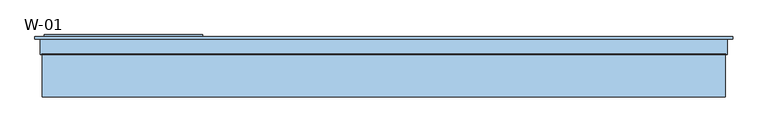
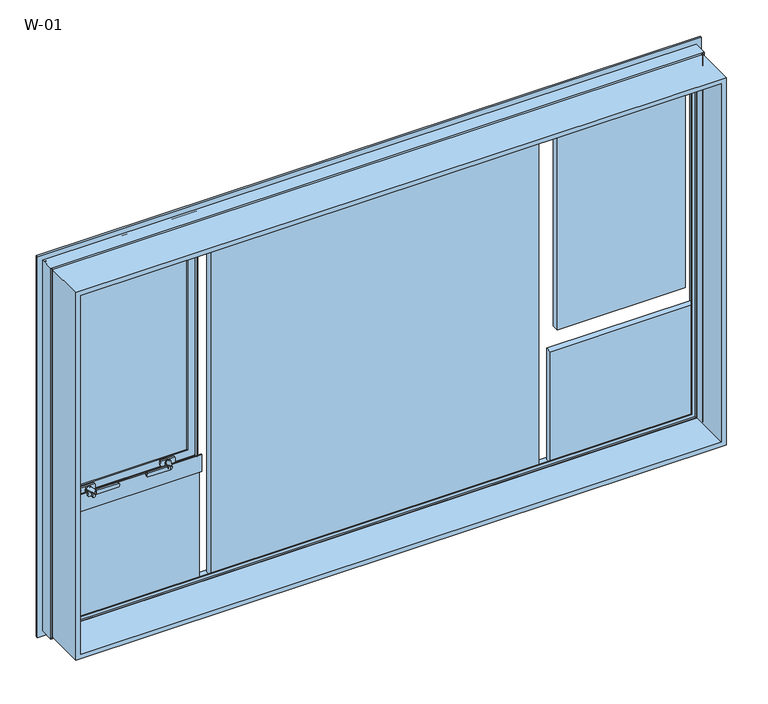
"""IFC4 building model written with IfcOpenShell, lengths in millimetres: window geometry, W-01."""

from ifc_helpers import new_model, si_unit, point, frame, frame_2d, origin, place, context, project, spatial, polyline, circle_curve, ellipse_curve, trimmed, segment, composite_curve, outline, extrude, source, transform, mapped, element, save
from ifc_brep_helpers import plane_surface, cylinder_surface, revolved_surface, spline_surface, advanced_brep


def w_01_90a4f5bf(model_context):
    return source(origin(), model_context, "Body", "SolidModel", [
        extrude(outline(composite_curve([segment(trimmed(circle_curve(frame_2d((1055.2, -891.7659341)), 2.0), [point((1057.2, -891.7659341))], [point((1055.9427814, -893.6228875))], False, "CARTESIAN"), True, "CONTINUOUS"), segment(polyline([(1055.9427814, -893.6228875), (1051.4855627, -895.4057749)]), True, "CONTINUOUS"), segment(trimmed(circle_curve(frame_2d((1050.0, -891.6918682)), 4.0), [point((1051.4855627, -895.4057749))], [point((1048.5144373, -895.4057749))], False, "CARTESIAN"), True, "CONTINUOUS"), segment(polyline([(1048.5144373, -895.4057749), (1044.0572186, -893.6228875)]), True, "CONTINUOUS"), segment(trimmed(circle_curve(frame_2d((1044.8, -891.7659341)), 2.0), [point((1044.0572186, -893.6228875))], [point((1042.8, -891.7659341))], False, "CARTESIAN"), True, "CONTINUOUS"), segment(polyline([(1042.8, -891.7659341), (1042.8, -806.0), (1057.2, -806.0), (1057.2, -891.7659341)]), True, "CONTINUOUS")], self_intersect=False)), frame((0.0, 34.5998877, 0.0), z_axis=(0.0, 1.0, 0.0), x_axis=(0.0, 0.0, 1.0)), (0.0, 0.0, 1.0), 7.0),
        extrude(outline(composite_curve([segment(trimmed(circle_curve(frame_2d((1050.0, -795.0)), 7.0), [point((1050.0, -788.0))], [point((1050.0, -802.0))], False, "CARTESIAN"), True, "CONTINUOUS"), segment(trimmed(circle_curve(frame_2d((1050.0, -795.0)), 7.0), [point((1050.0, -802.0))], [point((1050.0, -788.0))], False, "CARTESIAN"), True, "CONTINUOUS")], self_intersect=False)), frame((0.0, 64.5998877, 0.0), z_axis=(0.0, 1.0, 0.0), x_axis=(0.0, 0.0, 1.0)), (0.0, 0.0, 1.0), 1.5),
        advanced_brep(
        [(-786.0, 64.5998877, 1050.0), (-798.5, 34.5998877, 1050.0), (-813.5, 34.5998877, 1050.0), (-804.0, 64.5998877, 1050.0)],
        [
            (0, 1),
            (1, 2, circle_curve(frame((-806.0, 34.5998877, 1050.0), z_axis=(0.0, 1.0, 0.0), x_axis=(-1.0, 0.0, 0.0)), 7.5)),
            (2, 3),
            (3, 0, circle_curve(frame((-795.0, 64.5998877, 1050.0), z_axis=(0.0, -1.0, 0.0), x_axis=(-1.0, 0.0, 0.0)), 9.0)),
            (1, 2, circle_curve(frame((-806.0, 34.5998877, 1050.0), z_axis=(0.0, -1.0, 0.0), x_axis=(-1.0, 0.0, 0.0)), 7.5)),
            (3, 0, circle_curve(frame((-795.0, 64.5998877, 1050.0), z_axis=(0.0, 1.0, 0.0), x_axis=(-1.0, 0.0, 0.0)), 9.0)),
        ],
        [
            spline_surface(1, 2, [[(-786.0, 64.5998877, 1050.0), (-786.0, 64.5998877, 1041.0), (-795.0, 64.5998877, 1041.0), (-804.0, 64.5998877, 1041.0), (-804.0, 64.5998877, 1050.0)], [(-798.5, 34.5998877, 1050.0), (-798.5, 34.5998877, 1042.5), (-806.0, 34.5998877, 1042.5), (-813.5, 34.5998877, 1042.5), (-813.5, 34.5998877, 1050.0)]], [2, 2], [3, 2, 3], [0.0, 1.0], [0.0, 1.0, 2.0], weights=[[1.0, 0.7071067811865476, 1.0, 0.7071067811865476, 1.0], [1.0, 0.7071067811865476, 1.0, 0.7071067811865476, 1.0]]),
            plane_surface(frame((-806.0, 34.5998877, 1050.0), z_axis=(0.0, -1.0, 0.0), x_axis=(0.0, 0.0, -1.0))),
            plane_surface(frame((-795.0, 64.5998877, 1050.0), z_axis=(0.0, 1.0, 0.0), x_axis=(0.0, 0.0, -1.0))),
            spline_surface(1, 2, [[(-804.0, 64.5998877, 1050.0), (-804.0, 64.5998877, 1059.0), (-795.0, 64.5998877, 1059.0), (-786.0, 64.5998877, 1059.0), (-786.0, 64.5998877, 1050.0)], [(-813.5, 34.5998877, 1050.0), (-813.5, 34.5998877, 1057.5), (-806.0, 34.5998877, 1057.5), (-798.5, 34.5998877, 1057.5), (-798.5, 34.5998877, 1050.0)]], [2, 2], [3, 2, 3], [0.0, 1.0], [0.0, 1.0, 2.0], weights=[[1.0, 0.7071067811865476, 1.0, 0.7071067811865476, 1.0], [1.0, 0.7071067811865476, 1.0, 0.7071067811865476, 1.0]]),
        ],
        [
            (0, [[1, 2, 3, 4]]),
            (1, [[5, -2]]),
            (2, [[-4, 6]]),
            (3, [[-3, -5, -1, -6]]),
        ],
    ),
        extrude(outline(composite_curve([segment(trimmed(circle_curve(frame_2d((1050.0, -795.0)), 10.6), [point((1050.0, -784.4))], [point((1050.0, -805.6))], False, "CARTESIAN"), True, "CONTINUOUS"), segment(polyline([(1050.0, -805.6), (1038.95, -805.6), (1038.95, -784.4), (1050.0, -784.4)]), True, "CONTINUOUS")], self_intersect=False)), frame((0.0, 66.0998877, 0.0), z_axis=(0.0, 1.0, 0.0), x_axis=(0.0, 0.0, 1.0)), (0.0, 0.0, 1.0), 2.8),
        extrude(outline(composite_curve([segment(polyline([(1038.95, -821.0), (1038.95, -769.0)]), True, "CONTINUOUS"), segment(trimmed(circle_curve(frame_2d((1050.0, -791.7032528)), 25.2495582), [point((1038.95, -769.0))], [point((1061.05, -769.0))], False, "CARTESIAN"), True, "CONTINUOUS"), segment(polyline([(1061.05, -769.0), (1061.05, -821.0)]), True, "CONTINUOUS"), segment(trimmed(circle_curve(frame_2d((1050.0, -798.2967472)), 25.2495582), [point((1061.05, -821.0))], [point((1038.95, -821.0))], False, "CARTESIAN"), True, "CONTINUOUS")], self_intersect=False)), frame((0.0, 68.8998877, 0.0), z_axis=(0.0, 1.0, 0.0), x_axis=(0.0, 0.0, 1.0)), (0.0, 0.0, 1.0), 6.7),
        extrude(outline(composite_curve([segment(trimmed(circle_curve(frame_2d((1029.7, -1091.567995)), 3.0), [point((1026.7, -1091.567995))], [point((1029.5429921, -1088.5721064))], False, "CARTESIAN"), True, "CONTINUOUS"), segment(polyline([(1029.5429921, -1088.5721064), (1050.0, -1087.5), (1050.0, -1098.5), (1029.5429921, -1097.4278936)]), True, "CONTINUOUS"), segment(trimmed(circle_curve(frame_2d((1029.7, -1094.432005)), 3.0), [point((1029.5429921, -1097.4278936))], [point((1026.7, -1094.432005))], False, "CARTESIAN"), True, "CONTINUOUS"), segment(polyline([(1026.7, -1094.432005), (1026.7, -1091.567995)]), True, "CONTINUOUS")], self_intersect=False)), frame((0.0, 42.4998877, 0.0), z_axis=(0.0, 1.0, 0.0), x_axis=(0.0, 0.0, 1.0)), (0.0, 0.0, 1.0), 4.9),
        extrude(outline(composite_curve([segment(trimmed(circle_curve(frame_2d((1025.7, -1096.2776261)), 3.0), [point((1022.7, -1096.2776261))], [point((1025.5429921, -1093.2817375))], False, "CARTESIAN"), True, "CONTINUOUS"), segment(polyline([(1025.5429921, -1093.2817375), (1050.0, -1092.0), (1050.0, -1106.0), (1025.5429921, -1104.7182625)]), True, "CONTINUOUS"), segment(trimmed(circle_curve(frame_2d((1025.7, -1101.7223739)), 3.0), [point((1025.5429921, -1104.7182625))], [point((1022.7, -1101.7223739))], False, "CARTESIAN"), True, "CONTINUOUS"), segment(polyline([(1022.7, -1101.7223739), (1022.7, -1096.2776261)]), True, "CONTINUOUS")], self_intersect=False)), frame((0.0, 59.2998877, 0.0), z_axis=(0.0, 1.0, 0.0), x_axis=(0.0, 0.0, 1.0)), (0.0, 0.0, 1.0), 5.3),
        extrude(outline(composite_curve([segment(polyline([(1057.2, -1003.2340659), (1057.2, -1089.0), (1042.8, -1089.0), (1042.8, -1003.2340659)]), True, "CONTINUOUS"), segment(trimmed(circle_curve(frame_2d((1044.8, -1003.2340659)), 2.0), [point((1042.8, -1003.2340659))], [point((1044.0572186, -1001.3771125))], False, "CARTESIAN"), True, "CONTINUOUS"), segment(polyline([(1044.0572186, -1001.3771125), (1048.5144373, -999.5942251)]), True, "CONTINUOUS"), segment(trimmed(circle_curve(frame_2d((1050.0, -1003.3081318)), 4.0), [point((1048.5144373, -999.5942251))], [point((1051.4855627, -999.5942251))], False, "CARTESIAN"), True, "CONTINUOUS"), segment(polyline([(1051.4855627, -999.5942251), (1055.9427814, -1001.3771125)]), True, "CONTINUOUS"), segment(trimmed(circle_curve(frame_2d((1055.2, -1003.2340659)), 2.0), [point((1055.9427814, -1001.3771125))], [point((1057.2, -1003.2340659))], False, "CARTESIAN"), True, "CONTINUOUS")], self_intersect=False)), frame((0.0, 34.5998877, 0.0), z_axis=(0.0, 1.0, 0.0), x_axis=(0.0, 0.0, 1.0)), (0.0, 0.0, 1.0), 7.0),
        extrude(outline(composite_curve([segment(trimmed(circle_curve(frame_2d((1050.0, -1100.0)), 7.0), [point((1050.0, -1107.0))], [point((1050.0, -1093.0))], False, "CARTESIAN"), True, "CONTINUOUS"), segment(trimmed(circle_curve(frame_2d((1050.0, -1100.0)), 7.0), [point((1050.0, -1093.0))], [point((1050.0, -1107.0))], False, "CARTESIAN"), True, "CONTINUOUS")], self_intersect=False)), frame((0.0, 64.5998877, 0.0), z_axis=(0.0, 1.0, 0.0), x_axis=(0.0, 0.0, 1.0)), (0.0, 0.0, 1.0), 1.5),
        advanced_brep(
        [(-1091.0, 64.5998877, 1050.0), (-1109.0, 64.5998877, 1050.0), (-1096.5, 34.5998877, 1050.0), (-1081.5, 34.5998877, 1050.0)],
        [
            (0, 1, circle_curve(frame((-1100.0, 64.5998877, 1050.0), z_axis=(0.0, -1.0, 0.0), x_axis=(1.0, 0.0, 0.0)), 9.0)),
            (1, 2),
            (2, 3, circle_curve(frame((-1089.0, 34.5998877, 1050.0), z_axis=(0.0, 1.0, 0.0), x_axis=(1.0, 0.0, 0.0)), 7.5)),
            (3, 0),
            (2, 3, circle_curve(frame((-1089.0, 34.5998877, 1050.0), z_axis=(0.0, -1.0, 0.0), x_axis=(1.0, 0.0, 0.0)), 7.5)),
            (0, 1, circle_curve(frame((-1100.0, 64.5998877, 1050.0), z_axis=(0.0, 1.0, 0.0), x_axis=(1.0, 0.0, 0.0)), 9.0)),
        ],
        [
            spline_surface(2, 1, [[(-1091.0, 64.5998877, 1050.0), (-1081.5, 34.5998877, 1050.0)], [(-1091.0, 64.5998877, 1059.0), (-1081.5, 34.5998877, 1057.5)], [(-1100.0, 64.5998877, 1059.0), (-1089.0, 34.5998877, 1057.5)], [(-1109.0, 64.5998877, 1059.0), (-1096.5, 34.5998877, 1057.5)], [(-1109.0, 64.5998877, 1050.0), (-1096.5, 34.5998877, 1050.0)]], [3, 2, 3], [2, 2], [0.0, 1.0, 2.0], [0.0, 1.0], weights=[[1.0, 1.0], [0.7071067811865476, 0.7071067811865476], [1.0, 1.0], [0.7071067811865476, 0.7071067811865476], [1.0, 1.0]]),
            plane_surface(frame((-1089.0, 34.5998877, 1050.0), z_axis=(0.0, -1.0, 0.0), x_axis=(0.0, 0.0, -1.0))),
            plane_surface(frame((-1100.0, 64.5998877, 1050.0), z_axis=(0.0, 1.0, 0.0), x_axis=(0.0, 0.0, -1.0))),
            spline_surface(2, 1, [[(-1109.0, 64.5998877, 1050.0), (-1096.5, 34.5998877, 1050.0)], [(-1109.0, 64.5998877, 1041.0), (-1096.5, 34.5998877, 1042.5)], [(-1100.0, 64.5998877, 1041.0), (-1089.0, 34.5998877, 1042.5)], [(-1091.0, 64.5998877, 1041.0), (-1081.5, 34.5998877, 1042.5)], [(-1091.0, 64.5998877, 1050.0), (-1081.5, 34.5998877, 1050.0)]], [3, 2, 3], [2, 2], [0.0, 1.0, 2.0], [0.0, 1.0], weights=[[1.0, 1.0], [0.7071067811865476, 0.7071067811865476], [1.0, 1.0], [0.7071067811865476, 0.7071067811865476], [1.0, 1.0]]),
        ],
        [
            (0, [[1, 2, 3, 4]]),
            (1, [[5, -3]]),
            (2, [[-1, 6]]),
            (3, [[-6, -4, -5, -2]]),
        ],
    ),
        extrude(outline(composite_curve([segment(polyline([(1050.0, -1110.6), (1038.95, -1110.6), (1038.95, -1089.4), (1050.0, -1089.4)]), True, "CONTINUOUS"), segment(trimmed(circle_curve(frame_2d((1050.0, -1100.0)), 10.6), [point((1050.0, -1089.4))], [point((1050.0, -1110.6))], False, "CARTESIAN"), True, "CONTINUOUS")], self_intersect=False)), frame((0.0, 66.0998877, 0.0), z_axis=(0.0, 1.0, 0.0), x_axis=(0.0, 0.0, 1.0)), (0.0, 0.0, 1.0), 2.8),
        extrude(outline(composite_curve([segment(trimmed(circle_curve(frame_2d((1050.0, -1096.7032528)), 25.2495582), [point((1038.95, -1074.0))], [point((1061.05, -1074.0))], False, "CARTESIAN"), True, "CONTINUOUS"), segment(polyline([(1061.05, -1074.0), (1061.05, -1126.0)]), True, "CONTINUOUS"), segment(trimmed(circle_curve(frame_2d((1050.0, -1103.2967472)), 25.2495582), [point((1061.05, -1126.0))], [point((1038.95, -1126.0))], False, "CARTESIAN"), True, "CONTINUOUS"), segment(polyline([(1038.95, -1126.0), (1038.95, -1074.0)]), True, "CONTINUOUS")], self_intersect=False)), frame((0.0, 68.8998877, 0.0), z_axis=(0.0, 1.0, 0.0), x_axis=(0.0, 0.0, 1.0)), (0.0, 0.0, 1.0), 6.7),
        advanced_brep(
        [(-1179.3588709, 80.1998877, 1065.6411291), (-1179.3588709, 80.1998877, 1929.3588709), (-1179.3588709, 75.5998877, 1929.3588709), (-1179.3588709, 75.5998877, 1065.6411291), (-1199.3588651, 126.5998959, 1045.6411349), (-1199.3588651, 126.5998959, 1949.3588651), (-1199.3588651, 80.1998877, 1949.3588651), (-1199.3588651, 80.1998877, 1045.6411349), (-1235.8588651, 121.9998959, 1985.8588651), (-659.1411349, 121.9998959, 1985.8588651), (-659.1411349, 126.5998959, 1985.8588651), (-1235.8588651, 126.5998959, 1985.8588651), (-1236.4637148, 119.9946704, 1986.4637148), (-658.5362852, 119.9946704, 1986.4637148), (-661.2462336, 121.9998959, 1983.7537664), (-1233.7537664, 121.9998959, 1983.7537664), (-1218.3588678, 76.0998843, 1968.3588678), (-676.6411322, 76.0998843, 1968.3588678), (-676.6411322, 118.9999375, 1968.3588678), (-1218.3588678, 118.9999375, 1968.3588678), (-1217.8588679, 75.5998845, 1967.8588679), (-677.1411321, 75.5998845, 1967.8588679), (-1218.144223, 74.6078109, 1968.144223), (-676.855777, 74.6078109, 1968.144223), (-1215.4347904, 72.6034283, 1965.4347904), (-679.5652096, 72.6034283, 1965.4347904), (-1208.8054323, 74.6078109, 1958.8054323), (-686.1945677, 74.6078109, 1958.8054323), (-682.9650333, 72.6034283, 1962.0349667), (-1212.0349667, 72.6034283, 1962.0349667), (-1208.340576, 75.5998877, 1958.340576), (-686.659424, 75.5998877, 1958.340576), (-715.6411291, 80.1998877, 1929.3588709), (-715.6411291, 75.5998877, 1929.3588709), (-695.6411349, 126.5998959, 1949.3588651), (-695.6411349, 80.1998877, 1949.3588651), (-659.1411349, 121.9998959, 1009.1411349), (-659.1411349, 126.5998959, 1009.1411349), (-1235.8588651, 126.5998959, 1009.1411349), (-695.6411349, 126.5998959, 1045.6411349), (-676.855777, 74.6078109, 1026.855777), (-1218.144223, 74.6078109, 1026.855777), (-1217.8588679, 75.5998845, 1027.1411321), (-677.1411321, 75.5998845, 1027.1411321), (-679.5652096, 72.6034283, 1029.5652096), (-1215.4347904, 72.6034283, 1029.5652096), (-682.9650333, 72.6034283, 1032.9650333), (-1212.0349667, 72.6034283, 1032.9650333), (-695.6411349, 80.1998877, 1045.6411349), (-1235.8588651, 121.9998959, 1009.1411349), (-1236.4637148, 119.9946704, 1008.5362852), (-1233.7537664, 121.9998959, 1011.2462336), (-1237.2086873, 118.9999375, 1007.7913127), (-1237.2086873, 118.9999375, 1987.2086873), (-1218.3588678, 76.0998843, 1026.6411322), (-1218.3588678, 118.9999375, 1026.6411322), (-1208.8054323, 74.6078109, 1036.1945677), (-1208.340576, 75.5998877, 1036.659424), (-661.2462336, 121.9998959, 1011.2462336), (-658.5362852, 119.9946704, 1008.5362852), (-657.7913127, 118.9999375, 1987.2086873), (-657.7913127, 118.9999375, 1007.7913127), (-676.6411322, 118.9999375, 1026.6411322), (-676.6411322, 76.0998843, 1026.6411322), (-686.1945677, 74.6078109, 1036.1945677), (-686.659424, 75.5998877, 1036.659424), (-715.6411291, 75.5998877, 1065.6411291), (-715.6411291, 80.1998877, 1065.6411291)],
        [
            (0, 1),
            (1, 2),
            (2, 3),
            (3, 0),
            (4, 5),
            (5, 6),
            (6, 7),
            (7, 4),
            (8, 9),
            (9, 10),
            (10, 11),
            (11, 8),
            (12, 13),
            (13, 14, ellipse_curve(frame((-657.4151568, 124.3435951, 1987.5848432), z_axis=(0.7071067811865475, 0.0, -0.7071067811865475), x_axis=(0.7071067811865476, 0.0, 0.7071067811865474)), 6.3513896, 4.4911107)),
            (14, 15),
            (15, 12, ellipse_curve(frame((-1237.5848432, 124.3435951, 1987.5848432), z_axis=(-0.7071067811865475, 0.0, -0.7071067811865475), x_axis=(0.7071067811865476, 0.0, -0.7071067811865474)), 6.3513896, 4.4911107)),
            (16, 17),
            (17, 18),
            (18, 19),
            (19, 16),
            (20, 21),
            (21, 17, ellipse_curve(frame((-677.1411321, 76.0998843, 1967.8588679), z_axis=(-0.7071067811865475, 0.0, 0.7071067811865475), x_axis=(-0.7071067811865476, 0.0, -0.7071067811865474)), 0.7071066, 0.4999999)),
            (16, 20, ellipse_curve(frame((-1217.8588679, 76.0998843, 1967.8588679), z_axis=(0.7071067811865475, 0.0, 0.7071067811865475), x_axis=(-0.7071067811865476, 0.0, 0.7071067811865474)), 0.7071066, 0.4999999)),
            (22, 23),
            (23, 21),
            (20, 22),
            (24, 25),
            (25, 23, ellipse_curve(frame((-675.7346486, 70.2588862, 1969.2653514), z_axis=(0.7071067811865475, 0.0, -0.7071067811865475), x_axis=(0.7071067811865476, 0.0, 0.7071067811865474)), 6.3513896, 4.4911107)),
            (22, 24, ellipse_curve(frame((-1219.2653514, 70.2588862, 1969.2653514), z_axis=(-0.7071067811865475, 0.0, -0.7071067811865475), x_axis=(0.7071067811865476, 0.0, -0.7071067811865474)), 6.3513896, 4.4911107)),
            (26, 27),
            (27, 28, ellipse_curve(frame((-686.4459086, 70.5988781, 1958.5540914), z_axis=(0.7071067811865475, 0.0, -0.7071067811865475), x_axis=(0.7071067811865476, 0.0, 0.7071067811865474)), 5.6806187, 4.016804)),
            (28, 29),
            (29, 26, ellipse_curve(frame((-1208.5540914, 70.5988781, 1958.5540914), z_axis=(-0.7071067811865475, 0.0, -0.7071067811865475), x_axis=(0.7071067811865476, 0.0, -0.7071067811865474)), 5.6806187, 4.016804)),
            (30, 31),
            (31, 27),
            (26, 30),
            (1, 32),
            (32, 33),
            (33, 2),
            (5, 34),
            (34, 35),
            (35, 6),
            (9, 36),
            (36, 37),
            (37, 10),
            (37, 38),
            (38, 11),
            (4, 39),
            (39, 34),
            (40, 41),
            (41, 42),
            (42, 43),
            (43, 40),
            (25, 44),
            (44, 40, ellipse_curve(frame((-675.7346486, 70.2588862, 1025.7346486), z_axis=(-0.7071067811865475, 0.0, -0.7071067811865475), x_axis=(0.7071067811865474, 0.0, -0.7071067811865476)), 6.3513896, 4.4911107)),
            (40, 23),
            (44, 45),
            (45, 41, ellipse_curve(frame((-1219.2653514, 70.2588862, 1025.7346486), z_axis=(-0.7071067811865475, 0.0, 0.7071067811865475), x_axis=(-0.7071067811865476, 0.0, -0.7071067811865474)), 6.3513896, 4.4911107)),
            (24, 45),
            (28, 46),
            (46, 47),
            (47, 29),
            (39, 48),
            (48, 35),
            (7, 48),
            (49, 8),
            (38, 49),
            (50, 12),
            (15, 51),
            (51, 50, ellipse_curve(frame((-1237.5848432, 124.3435951, 1007.4151568), z_axis=(0.7071067811865475, 0.0, -0.7071067811865475), x_axis=(0.7071067811865474, 0.0, 0.7071067811865476)), 6.3513896, 4.4911107)),
            (52, 53),
            (53, 12),
            (50, 52),
            (54, 16),
            (19, 55),
            (55, 54),
            (42, 20),
            (54, 42, ellipse_curve(frame((-1217.8588679, 76.0998843, 1027.1411321), z_axis=(-0.7071067811865475, 0.0, 0.7071067811865475), x_axis=(-0.7071067811865474, 0.0, -0.7071067811865476)), 0.7071066, 0.4999999)),
            (41, 22),
            (56, 26),
            (47, 56, ellipse_curve(frame((-1208.5540914, 70.5988781, 1036.4459086), z_axis=(0.7071067811865475, 0.0, -0.7071067811865475), x_axis=(0.7071067811865474, 0.0, 0.7071067811865476)), 5.6806187, 4.016804)),
            (57, 30),
            (56, 57),
            (36, 49),
            (14, 58),
            (58, 51),
            (13, 59),
            (59, 58, ellipse_curve(frame((-657.4151568, 124.3435951, 1007.4151568), z_axis=(-0.7071067811865475, 0.0, -0.7071067811865475), x_axis=(0.7071067811865474, 0.0, -0.7071067811865476)), 6.3513896, 4.4911107)),
            (59, 50),
            (60, 61),
            (61, 59),
            (13, 60),
            (61, 52),
            (60, 53),
            (18, 62),
            (62, 55),
            (17, 63),
            (63, 62),
            (63, 54),
            (21, 43),
            (43, 63, ellipse_curve(frame((-677.1411321, 76.0998843, 1027.1411321), z_axis=(0.7071067811865475, 0.0, 0.7071067811865475), x_axis=(-0.7071067811865474, 0.0, 0.7071067811865476)), 0.7071066, 0.4999999)),
            (27, 64),
            (64, 46, ellipse_curve(frame((-686.4459086, 70.5988781, 1036.4459086), z_axis=(-0.7071067811865475, 0.0, -0.7071067811865475), x_axis=(0.7071067811865474, 0.0, -0.7071067811865476)), 5.6806187, 4.016804)),
            (64, 56),
            (31, 65),
            (65, 64),
            (65, 57),
            (33, 66),
            (66, 3),
            (32, 67),
            (67, 66),
            (67, 0),
        ],
        [
            plane_surface(frame((-1179.3588709, 75.5998877, 1065.6411291), z_axis=(1.0, 0.0, 0.0), x_axis=(0.0, 0.0, 1.0))),
            plane_surface(frame((-1199.3588651, 80.1998877, 1045.6411349), z_axis=(1.0, 0.0, 0.0), x_axis=(0.0, 0.0, 1.0))),
            plane_surface(frame((-1235.8588651, 126.5998959, 1985.8588651), z_axis=(0.0, 0.0, 1.0), x_axis=(1.0, 0.0, 0.0))),
            revolved_surface(polyline([(-652.9240461438823, 124.3435951, 1992.0759539), (-1242.0759538561178, 124.3435951, 1992.0759539)]), (-1250.0, 124.3435951, 1987.5848432), (1.0, 0.0, 0.0)),
            plane_surface(frame((-1218.3588678, 118.9999375, 1968.3588678), z_axis=(0.0, 0.0, 1.0), x_axis=(1.0, 0.0, 0.0))),
            cylinder_surface(frame((-1250.0, 76.0998843, 1967.8588679), z_axis=(-1.0, 0.0, 0.0), x_axis=(0.0, 0.0, 1.0)), 0.4999999),
            plane_surface(frame((-1217.8588679, 75.5998845, 1967.8588679), z_axis=(0.0, 0.27642729642523445, 0.9610348327667607), x_axis=(1.0, 0.0, 0.0))),
            revolved_surface(polyline([(-671.2435379438823, 70.2588862, 1973.7564621000001), (-1223.756462056118, 70.2588862, 1973.7564621000001)]), (-1250.0, 70.2588862, 1969.2653514), (1.0, 0.0, 0.0)),
            revolved_surface(polyline([(-682.429104595895, 70.5988781, 1962.5708954000002), (-1212.5708954041052, 70.5988781, 1962.5708954000002)]), (-1250.0, 70.5988781, 1958.5540914), (1.0, 0.0, 0.0)),
            plane_surface(frame((-1208.8054323, 74.6078109, 1958.8054323), z_axis=(0.0, -0.4242993898246574, -0.9055219642805047), x_axis=(1.0, 0.0, 0.0))),
            plane_surface(frame((-1179.3588709, 75.5998877, 1929.3588709), z_axis=(0.0, 0.0, -1.0), x_axis=(1.0, 0.0, 0.0))),
            plane_surface(frame((-1199.3588651, 80.1998877, 1949.3588651), z_axis=(0.0, 0.0, -1.0), x_axis=(1.0, 0.0, 0.0))),
            plane_surface(frame((-659.1411349, 126.5998959, 1985.8588651), z_axis=(1.0, 0.0, 0.0), x_axis=(0.0, 0.0, -1.0))),
            plane_surface(frame((-1199.3588651, 126.5998959, 1045.6411349), z_axis=(0.0, 1.0, 0.0), x_axis=(0.0, 0.0, 1.0))),
            plane_surface(frame((-677.1411321, 75.5998845, 1027.1411321), z_axis=(0.0, 0.27642729642523445, -0.9610348327667607), x_axis=(-1.0, 0.0, 0.0))),
            revolved_surface(polyline([(-671.2435379, 70.2588862, 1021.2435379438822), (-671.2435379, 70.2588862, 1973.756462056118)]), (-675.7346486, 70.2588862, 2000.0), (0.0, 0.0, -1.0)),
            revolved_surface(polyline([(-1223.756462056118, 70.2588862, 1021.2435378999999), (-671.2435379438823, 70.2588862, 1021.2435378999999)]), (-645.0, 70.2588862, 1025.7346486), (-1.0, 0.0, 0.0)),
            plane_surface(frame((-1215.4347904, 72.6034283, 1029.5652096), z_axis=(0.0, -1.0, 0.0), x_axis=(0.0, 0.0, 1.0))),
            plane_surface(frame((-695.6411349, 80.1998877, 1949.3588651), z_axis=(-1.0, 0.0, 0.0), x_axis=(0.0, 0.0, -1.0))),
            plane_surface(frame((-695.6411349, 80.1998877, 1045.6411349), z_axis=(0.0, 0.0, 1.0), x_axis=(-1.0, 0.0, 0.0))),
            plane_surface(frame((-1235.8588651, 126.5998959, 1009.1411349), z_axis=(-1.0, 0.0, 0.0), x_axis=(0.0, 0.0, 1.0))),
            revolved_surface(polyline([(-1242.0759539, 124.3435951, 1992.0759538561178), (-1242.0759539, 124.3435951, 1002.9240461438823)]), (-1237.5848432, 124.3435951, 995.0), (0.0, 0.0, 1.0)),
            plane_surface(frame((-1236.4637148, 119.9946704, 1008.5362852), z_axis=(-0.8004158635848596, 0.5994451145198395, 0.0), x_axis=(0.0, 0.0, 1.0))),
            plane_surface(frame((-1218.3588678, 118.9999375, 1026.6411322), z_axis=(-1.0, 0.0, 0.0), x_axis=(0.0, 0.0, 1.0))),
            cylinder_surface(frame((-1217.8588679, 76.0998843, 995.0), z_axis=(0.0, 0.0, -1.0), x_axis=(-1.0, 0.0, 0.0)), 0.4999999),
            plane_surface(frame((-1217.8588679, 75.5998845, 1027.1411321), z_axis=(-0.9610348327667573, 0.2764272964252464, 0.0), x_axis=(0.0, 0.0, 1.0))),
            revolved_surface(polyline([(-1223.7564621000001, 70.2588862, 1973.756462056118), (-1223.7564621000001, 70.2588862, 1021.2435379438822)]), (-1219.2653514, 70.2588862, 995.0), (0.0, 0.0, 1.0)),
            revolved_surface(polyline([(-1212.5708954000002, 70.5988781, 1962.5708954041052), (-1212.5708954000002, 70.5988781, 1032.4291045958948)]), (-1208.5540914, 70.5988781, 995.0), (0.0, 0.0, 1.0)),
            plane_surface(frame((-1208.8054323, 74.6078109, 1036.1945677), z_axis=(0.9055219642804995, -0.42429938982466864, 0.0), x_axis=(0.0, 0.0, 1.0))),
            plane_surface(frame((-659.1411349, 126.5998959, 1009.1411349), z_axis=(0.0, 0.0, -1.0), x_axis=(-1.0, 0.0, 0.0))),
            plane_surface(frame((-1235.8588651, 121.9998959, 1009.1411349), z_axis=(0.0, -1.0, 0.0), x_axis=(0.0, 0.0, 1.0))),
            revolved_surface(polyline([(-652.9240460999999, 124.3435951, 1002.9240461438823), (-652.9240460999999, 124.3435951, 1992.0759538561178)]), (-657.4151568, 124.3435951, 2000.0), (0.0, 0.0, -1.0)),
            revolved_surface(polyline([(-1242.0759538561178, 124.3435951, 1002.9240460999999), (-652.9240461438823, 124.3435951, 1002.9240460999999)]), (-645.0, 124.3435951, 1007.4151568), (-1.0, 0.0, 0.0)),
            plane_surface(frame((-658.5362852, 119.9946704, 1986.4637148), z_axis=(0.8004158635848745, 0.5994451145198197, 0.0), x_axis=(0.0, 0.0, -1.0))),
            plane_surface(frame((-658.5362852, 119.9946704, 1008.5362852), z_axis=(0.0, 0.5994451145198296, -0.800415863584867), x_axis=(-1.0, 0.0, 0.0))),
            plane_surface(frame((-1237.2086873, 118.9999375, 1007.7913127), z_axis=(0.0, -1.0, 0.0), x_axis=(0.0, 0.0, 1.0))),
            plane_surface(frame((-676.6411322, 118.9999375, 1968.3588678), z_axis=(1.0, 0.0, 0.0), x_axis=(0.0, 0.0, -1.0))),
            plane_surface(frame((-676.6411322, 118.9999375, 1026.6411322), z_axis=(0.0, 0.0, -1.0), x_axis=(-1.0, 0.0, 0.0))),
            cylinder_surface(frame((-677.1411321, 76.0998843, 2000.0), z_axis=(0.0, 0.0, 1.0), x_axis=(1.0, 0.0, 0.0)), 0.4999999),
            cylinder_surface(frame((-645.0, 76.0998843, 1027.1411321), z_axis=(1.0, 0.0, 0.0), x_axis=(0.0, 0.0, -1.0)), 0.4999999),
            plane_surface(frame((-677.1411321, 75.5998845, 1967.8588679), z_axis=(0.9610348327667642, 0.2764272964252225, 0.0), x_axis=(0.0, 0.0, -1.0))),
            revolved_surface(polyline([(-682.4291046000001, 70.5988781, 1032.4291045958948), (-682.4291046000001, 70.5988781, 1962.5708954041052)]), (-686.4459086, 70.5988781, 2000.0), (0.0, 0.0, -1.0)),
            revolved_surface(polyline([(-1212.5708954041052, 70.5988781, 1032.4291045999998), (-682.429104595895, 70.5988781, 1032.4291045999998)]), (-645.0, 70.5988781, 1036.4459086), (-1.0, 0.0, 0.0)),
            plane_surface(frame((-686.1945677, 74.6078109, 1958.8054323), z_axis=(-0.9055219642805099, -0.4242993898246462, 0.0), x_axis=(0.0, 0.0, -1.0))),
            plane_surface(frame((-686.1945677, 74.6078109, 1036.1945677), z_axis=(0.0, -0.4242993898246574, 0.9055219642805047), x_axis=(-1.0, 0.0, 0.0))),
            plane_surface(frame((-1208.340576, 75.5998877, 1036.659424), z_axis=(0.0, -1.0, 0.0), x_axis=(0.0, 0.0, 1.0))),
            plane_surface(frame((-715.6411291, 75.5998877, 1929.3588709), z_axis=(-1.0, 0.0, 0.0), x_axis=(0.0, 0.0, -1.0))),
            plane_surface(frame((-715.6411291, 75.5998877, 1065.6411291), z_axis=(0.0, 0.0, 1.0), x_axis=(-1.0, 0.0, 0.0))),
            plane_surface(frame((-1179.3588709, 80.1998877, 1065.6411291), z_axis=(0.0, 1.0, 0.0), x_axis=(0.0, 0.0, 1.0))),
            plane_surface(frame((-1236.4637148, 119.9946704, 1986.4637148), z_axis=(0.0, 0.5994451145198296, 0.800415863584867), x_axis=(1.0, 0.0, 0.0))),
        ],
        [
            (0, [[1, 2, 3, 4]]),
            (1, [[5, 6, 7, 8]]),
            (2, [[9, 10, 11, 12]]),
            (3, [[13, 14, 15, 16]]),
            (4, [[17, 18, 19, 20]]),
            (5, [[21, 22, -17, 23]]),
            (6, [[24, 25, -21, 26]]),
            (7, [[27, 28, -24, 29]]),
            (8, [[30, 31, 32, 33]]),
            (9, [[34, 35, -30, 36]]),
            (10, [[37, 38, 39, -2]]),
            (11, [[40, 41, 42, -6]]),
            (12, [[43, 44, 45, -10]]),
            (13, [[-11, -45, 46, 47], [-40, -5, 48, 49]]),
            (14, [[50, 51, 52, 53]]),
            (15, [[54, 55, 56, -28]]),
            (16, [[57, 58, -50, -55]]),
            (17, [[-27, 59, -57, -54], [-32, 60, 61, 62]]),
            (18, [[-49, 63, 64, -41]]),
            (19, [[-48, -8, 65, -63]]),
            (20, [[66, -12, -47, 67]]),
            (21, [[68, -16, 69, 70]]),
            (22, [[71, 72, -68, 73]]),
            (23, [[74, -20, 75, 76]]),
            (24, [[77, -23, -74, 78]]),
            (25, [[79, -26, -77, -51]]),
            (26, [[-59, -29, -79, -58]]),
            (27, [[80, -33, -62, 81]]),
            (28, [[82, -36, -80, 83]]),
            (29, [[84, -67, -46, -44]]),
            (30, [[-9, -66, -84, -43], [-15, 85, 86, -69]]),
            (31, [[87, 88, -85, -14]]),
            (32, [[89, -70, -86, -88]]),
            (33, [[90, 91, -87, 92]]),
            (34, [[93, -73, -89, -91]]),
            (35, [[94, -71, -93, -90], [-19, 95, 96, -75]]),
            (36, [[97, 98, -95, -18]]),
            (37, [[99, -76, -96, -98]]),
            (38, [[100, 101, -97, -22]]),
            (39, [[-52, -78, -99, -101]]),
            (40, [[-56, -53, -100, -25]]),
            (41, [[102, 103, -60, -31]]),
            (42, [[104, -81, -61, -103]]),
            (43, [[105, 106, -102, -35]]),
            (44, [[107, -83, -104, -106]]),
            (45, [[-34, -82, -107, -105], [-39, 108, 109, -3]]),
            (46, [[110, 111, -108, -38]]),
            (47, [[112, -4, -109, -111]]),
            (48, [[-42, -64, -65, -7], [-37, -1, -112, -110]]),
            (49, [[-94, -92, -13, -72]]),
        ],
    ),
        extrude(outline(polyline([(68.9990172, 964.9999652), (68.9990172, 1035.0000026), (72.5990172, 1035.0000026), (72.5990172, 1015.0000187), (118.9999375, 1015.0000187), (118.9999375, 984.9999813), (72.5990172, 984.9999813), (72.5990172, 964.9999652), (68.9990172, 964.9999652)])), frame((-1230.0, 0.0, 0.0), z_axis=(1.0, 0.0, 0.0), x_axis=(0.0, 1.0, 0.0)), (0.0, 0.0, 1.0), 565.0),
        advanced_brep(
        [(-1210.0, 107.7228474, 965.0), (-1207.8575034, 100.3927452, 962.8575034), (-1207.8575034, 100.3927452, 542.1424966), (-1210.0, 107.7228474, 540.0), (-1210.0, 118.9999377, 965.0), (-1210.0, 118.9999377, 540.0), (-1230.0, 100.3927452, 985.0), (-1230.0, 118.9999377, 985.0), (-1230.0, 118.9999377, 520.0), (-1230.0, 100.3927452, 520.0), (-687.1424966, 100.3927452, 542.1424966), (-685.0, 107.7228474, 540.0), (-685.0, 118.9999377, 540.0), (-665.0, 118.9999377, 520.0), (-665.0, 100.3927452, 520.0), (-687.1424966, 100.3927452, 962.8575034), (-685.0, 107.7228474, 965.0), (-685.0, 118.9999377, 965.0), (-665.0, 118.9999377, 985.0), (-665.0, 100.3927452, 985.0)],
        [
            (0, 1, ellipse_curve(frame((-1190.3925883, 109.4756835, 945.3925883), z_axis=(0.7071067811865475, 0.0, 0.7071067811865475), x_axis=(0.7071067811865474, 0.0, -0.7071067811865476)), 27.839649, 19.6856046)),
            (1, 2),
            (2, 3, ellipse_curve(frame((-1190.3925883, 109.4756835, 559.6074117), z_axis=(0.7071067811865475, 0.0, -0.7071067811865475), x_axis=(-0.7071067811865474, 0.0, -0.7071067811865476)), 27.839649, 19.6856046)),
            (3, 0),
            (4, 0),
            (3, 5),
            (5, 4),
            (6, 7),
            (7, 8),
            (8, 9),
            (9, 6),
            (2, 10),
            (10, 11, ellipse_curve(frame((-704.6074117, 109.4756835, 559.6074117), z_axis=(0.7071067811865475, 0.0, 0.7071067811865475), x_axis=(0.7071067811865476, 0.0, -0.7071067811865474)), 27.839649, 19.6856046)),
            (11, 3),
            (11, 12),
            (12, 5),
            (8, 13),
            (13, 14),
            (14, 9),
            (10, 15),
            (15, 16, ellipse_curve(frame((-704.6074117, 109.4756835, 945.3925883), z_axis=(-0.7071067811865475, 0.0, 0.7071067811865475), x_axis=(0.7071067811865474, 0.0, 0.7071067811865476)), 27.839649, 19.6856046)),
            (16, 11),
            (16, 17),
            (17, 12),
            (13, 18),
            (18, 19),
            (19, 14),
            (19, 6),
            (1, 15),
            (0, 16),
            (4, 17),
            (7, 18),
        ],
        [
            revolved_surface(polyline([(-1210.0781929, 109.4756835, 539.9218071062467), (-1210.0781929, 109.4756835, 965.0781928937533)]), (-1190.3925883, 109.4756835, 985.0), (0.0, 0.0, -1.0)),
            plane_surface(frame((-1210.0, 107.7228474, 965.0), z_axis=(1.0, 0.0, 0.0), x_axis=(0.0, 0.0, -1.0))),
            plane_surface(frame((-1230.0, 118.9999377, 985.0), z_axis=(-1.0, 0.0, 0.0), x_axis=(0.0, 0.0, -1.0))),
            revolved_surface(polyline([(-684.9218071062467, 109.4756835, 539.9218070999999), (-1210.078192893753, 109.4756835, 539.9218070999999)]), (-1230.0, 109.4756835, 559.6074117), (1.0, 0.0, 0.0)),
            plane_surface(frame((-1210.0, 107.7228474, 540.0), z_axis=(0.0, 0.0, 1.0), x_axis=(1.0, 0.0, 0.0))),
            plane_surface(frame((-1230.0, 118.9999377, 520.0), z_axis=(0.0, 0.0, -1.0), x_axis=(1.0, 0.0, 0.0))),
            revolved_surface(polyline([(-684.9218070999999, 109.4756835, 965.0781928937533), (-684.9218070999999, 109.4756835, 539.9218071062467)]), (-704.6074117, 109.4756835, 520.0), (0.0, 0.0, 1.0)),
            plane_surface(frame((-685.0, 107.7228474, 540.0), z_axis=(-1.0, 0.0, 0.0), x_axis=(0.0, 0.0, 1.0))),
            plane_surface(frame((-665.0, 118.9999377, 520.0), z_axis=(1.0, 0.0, 0.0), x_axis=(0.0, 0.0, 1.0))),
            plane_surface(frame((-665.0, 100.3927452, 985.0), z_axis=(0.0, -1.0, 0.0), x_axis=(-1.0, 0.0, 0.0))),
            revolved_surface(polyline([(-1210.078192893753, 109.4756835, 965.0781929000001), (-684.9218071062467, 109.4756835, 965.0781929000001)]), (-665.0, 109.4756835, 945.3925883), (-1.0, 0.0, 0.0)),
            plane_surface(frame((-685.0, 107.7228474, 965.0), z_axis=(0.0, 0.0, -1.0), x_axis=(-1.0, 0.0, 0.0))),
            plane_surface(frame((-685.0, 118.9999377, 965.0), z_axis=(0.0, 1.0, 0.0), x_axis=(-1.0, 0.0, 0.0))),
            plane_surface(frame((-665.0, 118.9999377, 985.0), z_axis=(0.0, 0.0, 1.0), x_axis=(-1.0, 0.0, 0.0))),
        ],
        [
            (0, [[1, 2, 3, 4]]),
            (1, [[5, -4, 6, 7]]),
            (2, [[8, 9, 10, 11]]),
            (3, [[-3, 12, 13, 14]]),
            (4, [[-6, -14, 15, 16]]),
            (5, [[-10, 17, 18, 19]]),
            (6, [[-13, 20, 21, 22]]),
            (7, [[-15, -22, 23, 24]]),
            (8, [[-18, 25, 26, 27]]),
            (9, [[-19, -27, 28, -11], [29, -20, -12, -2]]),
            (10, [[-21, -29, -1, 30]]),
            (11, [[-23, -30, -5, 31]]),
            (12, [[32, -25, -17, -9], [-16, -24, -31, -7]]),
            (13, [[-26, -32, -8, -28]]),
        ],
    ),
        advanced_brep(
        [(1270.000038, 110.0, 2020.000038), (1270.000038, 110.0, 479.999962), (1270.000038, 118.9999375, 479.999962), (1270.000038, 118.9999375, 2020.000038), (-1270.000038, 118.9999375, 2020.000038), (-1270.000038, 118.9999375, 479.999962), (1230.0000396, 118.9999375, 1980.0000396), (-1230.0000396, 118.9999375, 1980.0000396), (-1230.0000396, 118.9999375, 519.9999604), (1230.0000396, 118.9999375, 519.9999604), (-1270.000038, 110.0, 479.999962), (-1270.000038, 110.0, 2020.000038), (-1250.0, 110.0, 2000.0), (1250.0, 110.0, 2000.0), (1250.0, 110.0, 500.0), (-1250.0, 110.0, 500.0), (1250.0, 54.8507969, 2000.0), (1250.0, 54.8507969, 500.0), (-1250.0, 54.8507969, 500.0), (1245.0001465, 54.8506112, 1995.0001465), (1245.0001465, 54.8506112, 504.9998535), (-1245.0001465, 54.8506112, 504.9998535), (1245.0001465, 56.5920405, 1995.0001465), (1245.0001465, 56.5920405, 504.9998535), (-1245.0001465, 56.5920405, 504.9998535), (1243.8001794, 56.5908144, 1993.8001794), (1243.8001794, 56.5908144, 506.1998206), (-1243.8001794, 56.5908144, 506.1998206), (1243.8001794, 65.9999813, 1993.8001794), (1243.8001794, 65.9999813, 506.1998206), (-1243.8001794, 65.9999813, 506.1998206), (-1243.8001794, 65.9999813, 1993.8001794), (-1224.2001794, 65.9999813, 1974.2001794), (1224.2001794, 65.9999813, 1974.2001794), (1224.2001794, 65.9999813, 525.7998206), (-1224.2001794, 65.9999813, 525.7998206), (1224.2001794, 61.9999728, 1974.2001794), (1224.2001794, 61.9999728, 525.7998206), (-1224.2001794, 61.9999728, 525.7998206), (-1224.2001794, 61.9999728, 1974.2001794), (-1222.6156704, 61.9999728, 1972.6156704), (1222.6156704, 61.9999728, 1972.6156704), (1222.6156704, 61.9999728, 527.3843296), (-1222.6156704, 61.9999728, 527.3843296), (1222.8755675, 68.9999299, 1972.8755675), (1222.8755675, 68.9999299, 527.1244325), (-1222.8755675, 68.9999299, 527.1244325), (-1222.8755675, 68.9999299, 1972.8755675), (-1210.0002274, 68.9999299, 1960.0002274), (1210.0002274, 68.9999299, 1960.0002274), (1210.0002274, 68.9999299, 539.9997726), (-1210.0002274, 68.9999299, 539.9997726), (1210.0002274, 72.5999758, 1960.0002274), (1210.0002274, 72.5999758, 539.9997726), (-1210.0002274, 72.5999758, 539.9997726), (-1230.0000396, 72.5999758, 1980.0000396), (1230.0000396, 72.5999758, 1980.0000396), (1230.0000396, 72.5999758, 519.9999604), (-1230.0000396, 72.5999758, 519.9999604), (-1210.0002274, 72.5999758, 1960.0002274), (-1250.0, 54.8507969, 2000.0), (-1245.0001465, 54.8506112, 1995.0001465), (-1245.0001465, 56.5920405, 1995.0001465), (-1243.8001794, 56.5908144, 1993.8001794)],
        [
            (0, 1),
            (1, 2),
            (2, 3),
            (3, 0),
            (4, 3),
            (2, 5),
            (5, 4),
            (6, 7),
            (7, 8),
            (8, 9),
            (9, 6),
            (1, 10),
            (10, 5),
            (0, 11),
            (11, 10),
            (12, 13),
            (13, 14),
            (14, 15),
            (15, 12),
            (16, 17),
            (17, 14),
            (13, 16),
            (17, 18),
            (18, 15),
            (19, 20),
            (20, 17, ellipse_curve(frame((1247.5001465, 52.8785929, 502.4998535), z_axis=(-0.7071067811865475, 0.0, -0.7071067811865475), x_axis=(0.7071067811865474, 0.0, -0.7071067811865476)), 4.5030781, 3.184157)),
            (16, 19, ellipse_curve(frame((1247.5001465, 52.8785929, 1997.5001465), z_axis=(-0.7071067811865475, 0.0, 0.7071067811865475), x_axis=(-0.7071067811865474, 0.0, -0.7071067811865476)), 4.5030781, 3.184157)),
            (20, 21),
            (21, 18, ellipse_curve(frame((-1247.5001465, 52.8785929, 502.4998535), z_axis=(-0.7071067811865475, 0.0, 0.7071067811865475), x_axis=(-0.7071067811865476, 0.0, -0.7071067811865474)), 4.5030781, 3.184157)),
            (22, 23),
            (23, 20),
            (19, 22),
            (23, 24),
            (24, 21),
            (25, 26),
            (26, 23, ellipse_curve(frame((1244.4001534, 56.6007652, 505.5998466), z_axis=(0.7071067811865475, 0.0, 0.7071067811865475), x_axis=(-0.7071067811865474, 0.0, 0.7071067811865476)), 0.8486081, 0.6000566)),
            (22, 25, ellipse_curve(frame((1244.4001534, 56.6007652, 1994.4001534), z_axis=(0.7071067811865475, 0.0, -0.7071067811865475), x_axis=(0.7071067811865474, 0.0, 0.7071067811865476)), 0.8486081, 0.6000566)),
            (26, 27),
            (27, 24, ellipse_curve(frame((-1244.4001534, 56.6007652, 505.5998466), z_axis=(0.7071067811865475, 0.0, -0.7071067811865475), x_axis=(0.7071067811865476, 0.0, 0.7071067811865474)), 0.8486081, 0.6000566)),
            (28, 29),
            (29, 26),
            (25, 28),
            (29, 30),
            (30, 27),
            (28, 31),
            (31, 30),
            (32, 33),
            (33, 34),
            (34, 35),
            (35, 32),
            (36, 37),
            (37, 34),
            (33, 36),
            (37, 38),
            (38, 35),
            (36, 39),
            (39, 38),
            (40, 41),
            (41, 42),
            (42, 43),
            (43, 40),
            (44, 45),
            (45, 42),
            (41, 44),
            (45, 46),
            (46, 43),
            (44, 47),
            (47, 46),
            (48, 49),
            (49, 50),
            (50, 51),
            (51, 48),
            (52, 53),
            (53, 50),
            (49, 52),
            (53, 54),
            (54, 51),
            (55, 56),
            (56, 57),
            (57, 58),
            (58, 55),
            (52, 59),
            (59, 54),
            (9, 57),
            (56, 6),
            (8, 58),
            (11, 4),
            (18, 60),
            (60, 12),
            (21, 61),
            (61, 60, ellipse_curve(frame((-1247.5001465, 52.8785929, 1997.5001465), z_axis=(0.7071067811865475, 0.0, 0.7071067811865475), x_axis=(-0.7071067811865474, 0.0, 0.7071067811865476)), 4.5030781, 3.184157)),
            (24, 62),
            (62, 61),
            (27, 63),
            (63, 62, ellipse_curve(frame((-1244.4001534, 56.6007652, 1994.4001534), z_axis=(-0.7071067811865475, 0.0, -0.7071067811865475), x_axis=(0.7071067811865474, 0.0, -0.7071067811865476)), 0.8486081, 0.6000566)),
            (31, 63),
            (39, 32),
            (47, 40),
            (59, 48),
            (7, 55),
            (60, 16),
            (61, 19),
            (62, 22),
            (63, 25),
        ],
        [
            plane_surface(frame((1270.000038, 118.9999375, 2020.000038), z_axis=(1.0, 0.0, 0.0), x_axis=(0.0, 0.0, -1.0))),
            plane_surface(frame((-1230.0000396, 118.9999375, 519.9999604), z_axis=(0.0, 1.0, 0.0), x_axis=(0.0, 0.0, 1.0))),
            plane_surface(frame((1270.000038, 118.9999375, 479.999962), z_axis=(0.0, 0.0, -1.0), x_axis=(-1.0, 0.0, 0.0))),
            plane_surface(frame((-1270.000038, 110.0, 479.999962), z_axis=(0.0, -1.0, 0.0), x_axis=(0.0, 0.0, 1.0))),
            plane_surface(frame((1250.0, 110.0, 2000.0), z_axis=(1.0, 0.0, 0.0), x_axis=(0.0, 0.0, -1.0))),
            plane_surface(frame((1250.0, 110.0, 500.0), z_axis=(0.0, 0.0, -1.0), x_axis=(-1.0, 0.0, 0.0))),
            revolved_surface(polyline([(1250.6843035, 52.8785929, 499.3156964392774), (1250.6843035, 52.8785929, 2000.6843035607226)]), (1247.5001465, 52.8785929, 2000.0), (0.0, 0.0, -1.0)),
            revolved_surface(polyline([(-1250.6843035607226, 52.8785929, 499.31569649999994), (1250.6843035607226, 52.8785929, 499.31569649999994)]), (1250.0, 52.8785929, 502.4998535), (-1.0, 0.0, 0.0)),
            plane_surface(frame((1245.0001465, 54.8506112, 1995.0001465), z_axis=(-1.0, 0.0, 0.0), x_axis=(0.0, 0.0, -1.0))),
            plane_surface(frame((1245.0001465, 54.8506112, 504.9998535), z_axis=(0.0, 0.0, 1.0), x_axis=(-1.0, 0.0, 0.0))),
            cylinder_surface(frame((1244.4001534, 56.6007652, 2000.0), z_axis=(0.0, 0.0, 1.0), x_axis=(1.0, 0.0, 0.0)), 0.6000566),
            cylinder_surface(frame((1250.0, 56.6007652, 505.5998466), z_axis=(1.0, 0.0, 0.0), x_axis=(0.0, 0.0, -1.0)), 0.6000566),
            plane_surface(frame((1243.8001794, 56.5908144, 1993.8001794), z_axis=(-1.0, 0.0, 0.0), x_axis=(0.0, 0.0, -1.0))),
            plane_surface(frame((1243.8001794, 56.5908144, 506.1998206), z_axis=(0.0, 0.0, 1.0), x_axis=(-1.0, 0.0, 0.0))),
            plane_surface(frame((-1243.8001794, 65.9999813, 506.1998206), z_axis=(0.0, -1.0, 0.0), x_axis=(0.0, 0.0, 1.0))),
            plane_surface(frame((1224.2001794, 65.9999813, 1974.2001794), z_axis=(1.0, 0.0, 0.0), x_axis=(0.0, 0.0, -1.0))),
            plane_surface(frame((1224.2001794, 65.9999813, 525.7998206), z_axis=(0.0, 0.0, -1.0), x_axis=(-1.0, 0.0, 0.0))),
            plane_surface(frame((-1224.2001794, 61.9999728, 525.7998206), z_axis=(0.0, -1.0, 0.0), x_axis=(0.0, 0.0, 1.0))),
            plane_surface(frame((1222.6156704, 61.9999728, 1972.6156704), z_axis=(-0.9993114533203387, 0.037102820146085576, 0.0), x_axis=(0.0, 0.0, -1.0))),
            plane_surface(frame((1222.6156704, 61.9999728, 527.3843296), z_axis=(0.0, 0.03710282014607318, 0.9993114533203391), x_axis=(-1.0, 0.0, 0.0))),
            plane_surface(frame((-1222.8755675, 68.9999299, 527.1244325), z_axis=(0.0, -1.0, 0.0), x_axis=(0.0, 0.0, 1.0))),
            plane_surface(frame((1210.0002274, 68.9999299, 1960.0002274), z_axis=(-1.0, 0.0, 0.0), x_axis=(0.0, 0.0, -1.0))),
            plane_surface(frame((1210.0002274, 68.9999299, 539.9997726), z_axis=(0.0, 0.0, 1.0), x_axis=(-1.0, 0.0, 0.0))),
            plane_surface(frame((-1210.0002274, 72.5999758, 539.9997726), z_axis=(0.0, 1.0, 0.0), x_axis=(0.0, 0.0, 1.0))),
            plane_surface(frame((1230.0000396, 72.5999758, 1980.0000396), z_axis=(-1.0, 0.0, 0.0), x_axis=(0.0, 0.0, -1.0))),
            plane_surface(frame((1230.0000396, 72.5999758, 519.9999604), z_axis=(0.0, 0.0, 1.0), x_axis=(-1.0, 0.0, 0.0))),
            plane_surface(frame((-1270.000038, 118.9999375, 479.999962), z_axis=(-1.0, 0.0, 0.0), x_axis=(0.0, 0.0, 1.0))),
            plane_surface(frame((-1250.0, 110.0, 500.0), z_axis=(-1.0, 0.0, 0.0), x_axis=(0.0, 0.0, 1.0))),
            revolved_surface(polyline([(-1250.6843035, 52.8785929, 2000.6843035607226), (-1250.6843035, 52.8785929, 499.31569643927736)]), (-1247.5001465, 52.8785929, 500.0), (0.0, 0.0, 1.0)),
            plane_surface(frame((-1245.0001465, 54.8506112, 504.9998535), z_axis=(1.0, 0.0, 0.0), x_axis=(0.0, 0.0, 1.0))),
            cylinder_surface(frame((-1244.4001534, 56.6007652, 500.0), z_axis=(0.0, 0.0, -1.0), x_axis=(-1.0, 0.0, 0.0)), 0.6000566),
            plane_surface(frame((-1243.8001794, 56.5908144, 506.1998206), z_axis=(1.0, 0.0, 0.0), x_axis=(0.0, 0.0, 1.0))),
            plane_surface(frame((-1224.2001794, 65.9999813, 525.7998206), z_axis=(-1.0, 0.0, 0.0), x_axis=(0.0, 0.0, 1.0))),
            plane_surface(frame((-1222.6156704, 61.9999728, 527.3843296), z_axis=(0.9993114533203395, 0.03710282014606079, 0.0), x_axis=(0.0, 0.0, 1.0))),
            plane_surface(frame((-1210.0002274, 68.9999299, 539.9997726), z_axis=(1.0, 0.0, 0.0), x_axis=(0.0, 0.0, 1.0))),
            plane_surface(frame((-1230.0000396, 72.5999758, 519.9999604), z_axis=(1.0, 0.0, 0.0), x_axis=(0.0, 0.0, 1.0))),
            plane_surface(frame((-1270.000038, 118.9999375, 2020.000038), z_axis=(0.0, 0.0, 1.0), x_axis=(1.0, 0.0, 0.0))),
            plane_surface(frame((-1250.0, 110.0, 2000.0), z_axis=(0.0, 0.0, 1.0), x_axis=(1.0, 0.0, 0.0))),
            revolved_surface(polyline([(1250.6843035607226, 52.8785929, 2000.6843035), (-1250.6843035607226, 52.8785929, 2000.6843035)]), (-1250.0, 52.8785929, 1997.5001465), (1.0, 0.0, 0.0)),
            plane_surface(frame((-1245.0001465, 54.8506112, 1995.0001465), z_axis=(0.0, 0.0, -1.0), x_axis=(1.0, 0.0, 0.0))),
            cylinder_surface(frame((-1250.0, 56.6007652, 1994.4001534), z_axis=(-1.0, 0.0, 0.0), x_axis=(0.0, 0.0, 1.0)), 0.6000566),
            plane_surface(frame((-1243.8001794, 56.5908144, 1993.8001794), z_axis=(0.0, 0.0, -1.0), x_axis=(1.0, 0.0, 0.0))),
            plane_surface(frame((-1224.2001794, 65.9999813, 1974.2001794), z_axis=(0.0, 0.0, 1.0), x_axis=(1.0, 0.0, 0.0))),
            plane_surface(frame((-1222.6156704, 61.9999728, 1972.6156704), z_axis=(0.0, 0.03710282014607318, -0.9993114533203391), x_axis=(1.0, 0.0, 0.0))),
            plane_surface(frame((-1210.0002274, 68.9999299, 1960.0002274), z_axis=(0.0, 0.0, -1.0), x_axis=(1.0, 0.0, 0.0))),
            plane_surface(frame((-1230.0000396, 72.5999758, 1980.0000396), z_axis=(0.0, 0.0, -1.0), x_axis=(1.0, 0.0, 0.0))),
        ],
        [
            (0, [[1, 2, 3, 4]]),
            (1, [[5, -3, 6, 7], [8, 9, 10, 11]]),
            (2, [[12, 13, -6, -2]]),
            (3, [[14, 15, -12, -1], [16, 17, 18, 19]]),
            (4, [[20, 21, -17, 22]]),
            (5, [[23, 24, -18, -21]]),
            (6, [[25, 26, -20, 27]]),
            (7, [[28, 29, -23, -26]]),
            (8, [[30, 31, -25, 32]]),
            (9, [[33, 34, -28, -31]]),
            (10, [[35, 36, -30, 37]]),
            (11, [[38, 39, -33, -36]]),
            (12, [[40, 41, -35, 42]]),
            (13, [[43, 44, -38, -41]]),
            (14, [[45, 46, -43, -40], [47, 48, 49, 50]]),
            (15, [[51, 52, -48, 53]]),
            (16, [[54, 55, -49, -52]]),
            (17, [[56, 57, -54, -51], [58, 59, 60, 61]]),
            (18, [[62, 63, -59, 64]]),
            (19, [[65, 66, -60, -63]]),
            (20, [[67, 68, -65, -62], [69, 70, 71, 72]]),
            (21, [[73, 74, -70, 75]]),
            (22, [[76, 77, -71, -74]]),
            (23, [[78, 79, 80, 81], [82, 83, -76, -73]]),
            (24, [[-11, 84, -79, 85]]),
            (25, [[-10, 86, -80, -84]]),
            (26, [[-15, 87, -7, -13]]),
            (27, [[88, 89, -19, -24]]),
            (28, [[90, 91, -88, -29]]),
            (29, [[92, 93, -90, -34]]),
            (30, [[94, 95, -92, -39]]),
            (31, [[-46, 96, -94, -44]]),
            (32, [[-57, 97, -50, -55]]),
            (33, [[-68, 98, -61, -66]]),
            (34, [[-83, 99, -72, -77]]),
            (35, [[-9, 100, -81, -86]]),
            (36, [[-14, -4, -5, -87]]),
            (37, [[101, -22, -16, -89]]),
            (38, [[102, -27, -101, -91]]),
            (39, [[103, -32, -102, -93]]),
            (40, [[104, -37, -103, -95]]),
            (41, [[-45, -42, -104, -96]]),
            (42, [[-56, -53, -47, -97]]),
            (43, [[-67, -64, -58, -98]]),
            (44, [[-82, -75, -69, -99]]),
            (45, [[-8, -85, -78, -100]]),
        ],
    ),
        extrude(outline(polyline([(-1192.4, 81.9927036), (-1192.4, 107.9927036), (-702.6, 107.9927036), (-702.6, 81.9927036), (-1192.4, 81.9927036)])), frame((0.0, 0.0, 1052.2), z_axis=(0.0, 0.0, 1.0), x_axis=(1.0, 0.0, 0.0)), (0.0, 0.0, 1.0), 890.2),
        extrude(outline(polyline([(-1223.0, 74.4), (-1223.0, 100.4), (-672.0, 100.4), (-672.0, 74.4), (-1223.0, 74.4)])), frame((0.0, 0.0, 527.0), z_axis=(0.0, 0.0, 1.0), x_axis=(1.0, 0.0, 0.0)), (0.0, 0.0, 1.0), 451.0),
        extrude(outline(polyline([(-628.0, 74.4), (-628.0, 100.4), (628.0, 100.4), (628.0, 74.4), (-628.0, 74.4)])), frame((0.0, 0.0, 527.0), z_axis=(0.0, 0.0, 1.0), x_axis=(1.0, 0.0, 0.0)), (0.0, 0.0, 1.0), 1446.0),
        extrude(outline(polyline([(1192.4, 81.9927036), (702.6, 81.9927036), (702.6, 107.9927036), (1192.4, 107.9927036), (1192.4, 81.9927036)])), frame((0.0, 0.0, 1052.2), z_axis=(0.0, 0.0, 1.0), x_axis=(1.0, 0.0, 0.0)), (0.0, 0.0, 1.0), 890.2),
        extrude(outline(polyline([(1993.8, 1243.8), (1993.8, -1243.8), (506.2, -1243.8), (506.2, 1243.8), (1993.8, 1243.8)]), holes=[polyline([(524.7, 1225.3), (524.7, -1225.3), (1975.3, -1225.3), (1975.3, 1225.3), (524.7, 1225.3)])]), frame((0.0, -100.0, 0.0), z_axis=(0.0, 1.0, 0.0), x_axis=(0.0, 0.0, 1.0)), (0.0, 0.0, 1.0), 165.9999813),
        extrude(outline(polyline([(1223.0, 74.4), (672.0, 74.4), (672.0, 100.4), (1223.0, 100.4), (1223.0, 74.4)])), frame((0.0, 0.0, 527.0), z_axis=(0.0, 0.0, 1.0), x_axis=(1.0, 0.0, 0.0)), (0.0, 0.0, 1.0), 451.0),
    ])


if __name__ == "__main__":
    model = new_model("IFC4")
    model_context = context("Model", 3, world=origin())
    ifc_project = project(units=[si_unit("LENGTHUNIT", "METRE", prefix="MILLI")], contexts=[model_context])
    site = spatial("IfcSite", under=ifc_project)
    building = spatial("IfcBuilding", under=site)
    placement = place(None, origin())
    w_01_shape = w_01_90a4f5bf(model_context)
    element("IfcWindow", 1, ObjectType="W-01", at=placement, inside=building, context=model_context, shape_type="MappedRepresentation", body=[
        mapped(w_01_shape, transform((0.0, 0.0, 0.0), x_axis=(1.0, 0.0, 0.0), y_axis=(0.0, 1.0, 0.0), z_axis=(0.0, 0.0, 1.0))),
    ])
    save(model, "model.ifc")
